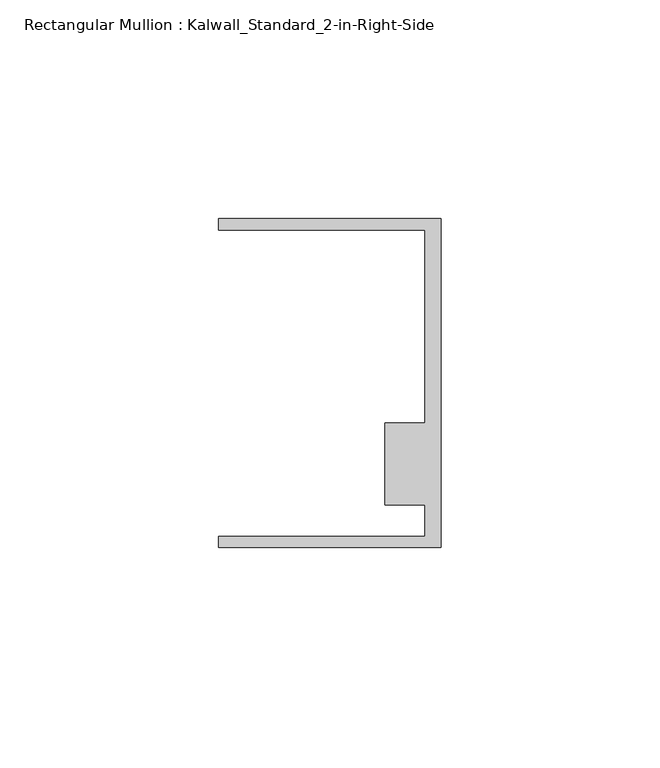
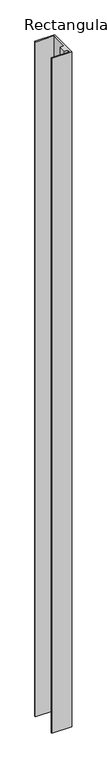
"""IFC4 building model written with IfcOpenShell, lengths in millimetres: member geometry, Rectangular Mullion : Kalwall_Standard_2-in-Right-Side."""

from ifc_helpers import new_model, si_unit, frame, origin, place, context, project, spatial, polyline, outline, extrude, source, transform, mapped, element, save


def rectangular_mullion_kalwall_standard_2_in_right_side_baac89a9(model_context):
    return source(origin(), model_context, "Body", "SweptSolid", [
        extrude(outline(polyline([(0.0, -37.5776386), (-50.8, -37.5776386), (-50.8, -35.0376386), (-3.7084, -35.0376386), (-3.7084, -27.8888568), (-12.8272539, -27.8888568), (-12.8272539, -9.1879886), (-3.7084, -9.1879886), (-3.7084, 34.9623614), (-50.8, 34.9623614), (-50.8, 37.5023614), (0.0, 37.5023614), (0.0, -37.5776386)])), frame((0.0, 0.0, -1830.175), z_axis=(0.0, 0.0, 1.0), x_axis=(1.0, 0.0, 0.0)), (0.0, 0.0, 1.0), 1830.175),
    ])


if __name__ == "__main__":
    model = new_model("IFC4")
    model_context = context("Model", 3, world=origin())
    ifc_project = project(units=[si_unit("LENGTHUNIT", "METRE", prefix="MILLI")], contexts=[model_context])
    site = spatial("IfcSite", under=ifc_project)
    building = spatial("IfcBuilding", under=site)
    placement = place(None, origin())
    rectangular_mullion_kalwall_standard_2_in_right_side_shape = rectangular_mullion_kalwall_standard_2_in_right_side_baac89a9(model_context)
    element("IfcMember", 1, ObjectType="Rectangular Mullion : Kalwall_Standard_2-in-Right-Side", at=placement, inside=building, context=model_context, shape_type="MappedRepresentation", body=[
        mapped(rectangular_mullion_kalwall_standard_2_in_right_side_shape, transform((0.0, 0.0, 0.0), x_axis=(1.0, 0.0, 0.0), y_axis=(0.0, 1.0, 0.0), z_axis=(0.0, 0.0, 1.0))),
    ])
    save(model, "model.ifc")
